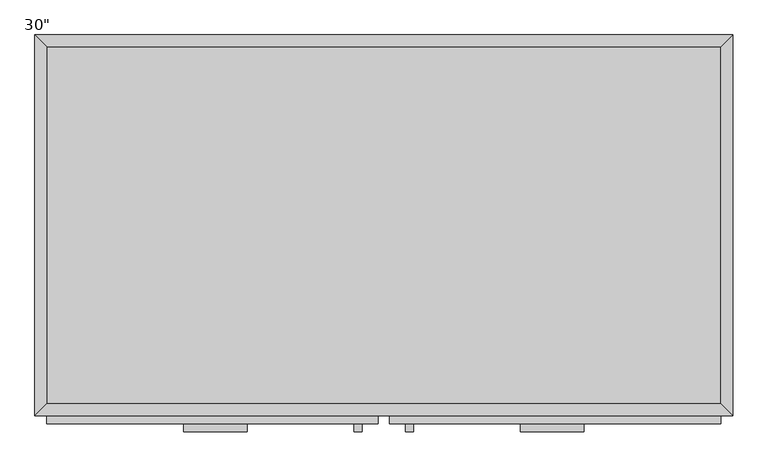
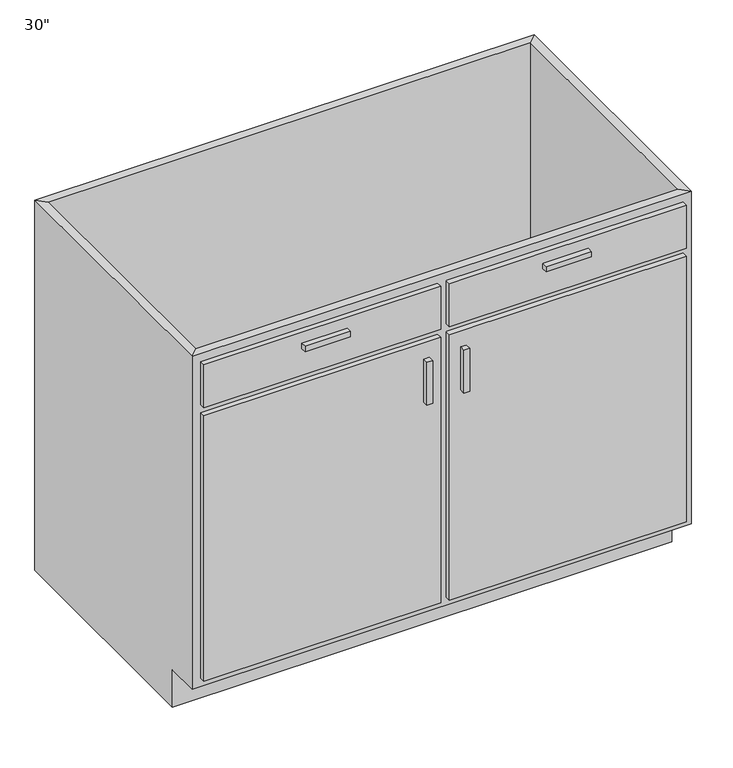
"""IFC4 building model written with IfcOpenShell, lengths in millimetres: furniture geometry."""

from ifc_helpers import new_model, si_unit, frame, origin, place, context, project, spatial, polyline, outline, extrude, faceted_brep, source, transform, mapped, element, save


def furniture_b9db772d(model_context):
    return source(origin(), model_context, "Body", "SolidModel", [
        faceted_brep([(558.4877049, -590.55, 876.3), (558.4877049, -590.55, 88.9), (-521.0122951, -590.55, 88.9), (-521.0122951, -590.55, 876.3), (-540.0622951, -609.6, 876.3), (577.5377049, -609.6, 876.3), (-540.0622951, -609.6, 88.9), (577.5377049, -609.6, 88.9), (-521.0122951, -533.4, 88.9), (-521.0122951, -19.05, 88.9), (-521.0122951, -19.05, 876.3), (-540.0622951, 0.0, 876.3), (-540.0622951, 0.0, 0.0), (-540.0622951, -533.4, 0.0), (-540.0622951, -533.4, 88.9), (558.4877049, -19.05, 88.9), (558.4877049, -19.05, 876.3), (577.5377049, 0.0, 876.3), (577.5377049, 0.0, 0.0), (558.4877049, -533.4, 88.9), (577.5377049, -533.4, 88.9), (577.5377049, -533.4, 0.0)], [[[0, 1, 2, 3]], [[0, 3, 4, 5]], [[5, 4, 6, 7]], [[2, 1, 7, 6]], [[3, 2, 8, 9, 10]], [[4, 3, 10, 11]], [[6, 4, 11, 12, 13, 14]], [[2, 6, 14, 8]], [[10, 9, 15, 16]], [[11, 10, 16, 17]], [[12, 11, 17, 18]], [[1, 0, 16, 15, 19]], [[0, 5, 17, 16]], [[5, 7, 20, 21, 18, 17]], [[7, 1, 19, 20]], [[8, 19, 15, 9]], [[18, 21, 13, 12]], [[13, 21, 20, 19, 8, 14]]]),
        extrude(outline(polyline([(-200.3372951, -635.0), (-301.9372951, -635.0), (-301.9372951, -622.3), (-200.3372951, -622.3), (-200.3372951, -635.0)])), frame((0.0, 0.0, 819.15), z_axis=(0.0, 0.0, 1.0), x_axis=(1.0, 0.0, 0.0)), (0.0, 0.0, 1.0), 12.7),
        extrude(outline(polyline([(339.4127049, -635.0), (237.8127049, -635.0), (237.8127049, -622.3), (339.4127049, -622.3), (339.4127049, -635.0)])), frame((0.0, 0.0, 819.15), z_axis=(0.0, 0.0, 1.0), x_axis=(1.0, 0.0, 0.0)), (0.0, 0.0, 1.0), 12.7),
        extrude(outline(polyline([(-16.1872951, -635.0), (-28.8872951, -635.0), (-28.8872951, -622.3), (-16.1872951, -622.3), (-16.1872951, -635.0)])), frame((0.0, 0.0, 596.9), z_axis=(0.0, 0.0, 1.0), x_axis=(1.0, 0.0, 0.0)), (0.0, 0.0, 1.0), 101.6),
        extrude(outline(polyline([(66.3627049, -635.0), (53.6627049, -635.0), (53.6627049, -622.3), (66.3627049, -622.3), (66.3627049, -635.0)])), frame((0.0, 0.0, 596.9), z_axis=(0.0, 0.0, 1.0), x_axis=(1.0, 0.0, 0.0)), (0.0, 0.0, 1.0), 101.6),
        extrude(outline(polyline([(558.4877049, -19.05), (558.4877049, -590.55), (-521.0122951, -590.55), (-521.0122951, -19.05), (558.4877049, -19.05)])), frame((0.0, 0.0, 88.9), z_axis=(0.0, 0.0, 1.0), x_axis=(1.0, 0.0, 0.0)), (0.0, 0.0, 1.0), 19.05),
        extrude(outline(polyline([(9.2127049, -622.3), (-521.0122951, -622.3), (-521.0122951, -609.6), (9.2127049, -609.6), (9.2127049, -622.3)])), frame((0.0, 0.0, 755.65), z_axis=(0.0, 0.0, 1.0), x_axis=(1.0, 0.0, 0.0)), (0.0, 0.0, 1.0), 101.6),
        extrude(outline(polyline([(558.4877049, -622.3), (28.2627049, -622.3), (28.2627049, -609.6), (558.4877049, -609.6), (558.4877049, -622.3)])), frame((0.0, 0.0, 755.65), z_axis=(0.0, 0.0, 1.0), x_axis=(1.0, 0.0, 0.0)), (0.0, 0.0, 1.0), 101.6),
        extrude(outline(polyline([(9.2127049, -622.3), (-521.0122951, -622.3), (-521.0122951, -609.6), (9.2127049, -609.6), (9.2127049, -622.3)])), frame((0.0, 0.0, 107.95), z_axis=(0.0, 0.0, 1.0), x_axis=(1.0, 0.0, 0.0)), (0.0, 0.0, 1.0), 628.65),
        extrude(outline(polyline([(558.4877049, -622.3), (28.2627049, -622.3), (28.2627049, -609.6), (558.4877049, -609.6), (558.4877049, -622.3)])), frame((0.0, 0.0, 107.95), z_axis=(0.0, 0.0, 1.0), x_axis=(1.0, 0.0, 0.0)), (0.0, 0.0, 1.0), 628.65),
    ])


if __name__ == "__main__":
    model = new_model("IFC4")
    model_context = context("Model", 3, world=origin())
    ifc_project = project(units=[si_unit("LENGTHUNIT", "METRE", prefix="MILLI")], contexts=[model_context])
    site = spatial("IfcSite", under=ifc_project)
    building = spatial("IfcBuilding", under=site)
    placement = place(None, origin())
    furniture_shape = furniture_b9db772d(model_context)
    element("IfcFurniture", 1, ObjectType="30\"", at=placement, inside=building, context=model_context, shape_type="MappedRepresentation", body=[
        mapped(furniture_shape, transform((0.0, 0.0, 0.0), x_axis=(1.0, 0.0, 0.0), y_axis=(0.0, 1.0, 0.0), z_axis=(0.0, 0.0, 1.0))),
    ])
    save(model, "model.ifc")
